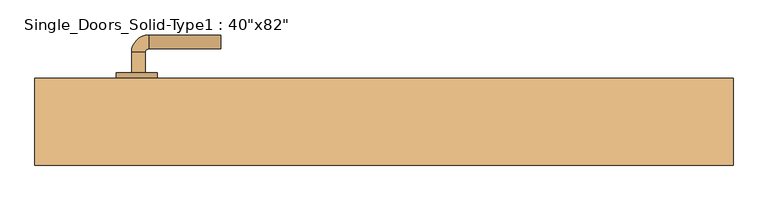
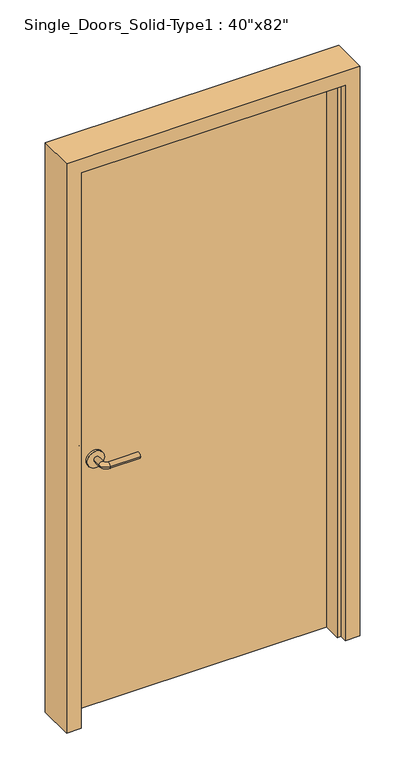
"""IFC4 building model written with IfcOpenShell, lengths in millimetres: door geometry."""

from ifc_helpers import new_model, si_unit, point, frame, frame_2d, origin, origin_with_axes, place, context, project, spatial, polyline, circle_curve, ellipse_curve, trimmed, segment, composite_curve, outline, extrude, faceted_brep, source, transform, mapped, element, save
from ifc_brep_helpers import plane_surface, cylinder_surface, revolved_surface, advanced_brep


def door_516bf730(model_context):
    return source(origin(), model_context, "Body", "SolidModel", [
        advanced_brep(
        [(-367.2, 17.4, 900.0), (-347.2, 17.4, 900.0), (-347.2, -12.6, 900.0), (-367.2, -12.6, 900.0), (-342.2, -17.6, 900.0), (-342.2, -37.6, 900.0), (-237.2, -37.6, 900.0), (-237.2, -17.6, 900.0)],
        [
            (0, 1, circle_curve(frame((-357.2, 17.4, 900.0), z_axis=(0.0, 1.0, 0.0), x_axis=(1.0, 0.0, 0.0)), 10.0)),
            (1, 0, circle_curve(frame((-357.2, 17.4, 900.0), z_axis=(0.0, 1.0, 0.0), x_axis=(1.0, 0.0, 0.0)), 10.0)),
            (1, 2),
            (2, 3, circle_curve(frame((-357.2, -12.6, 900.0), z_axis=(0.0, 1.0, 0.0), x_axis=(1.0, 0.0, 0.0)), 10.0)),
            (3, 0),
            (3, 2, circle_curve(frame((-357.2, -12.6, 900.0), z_axis=(0.0, 1.0, 0.0), x_axis=(1.0, 0.0, 0.0)), 10.0)),
            (4, 5, circle_curve(frame((-342.2, -27.6, 900.0), z_axis=(-1.0, 0.0, 0.0), x_axis=(0.0, 1.0, 0.0)), 10.0)),
            (5, 3, circle_curve(frame((-342.2, -12.6, 900.0), z_axis=(0.0, 0.0, -1.0), x_axis=(-1.0, 0.0, 0.0)), 25.0)),
            (2, 4, circle_curve(frame((-342.2, -12.6, 900.0), z_axis=(0.0, 0.0, 1.0), x_axis=(-1.0, 0.0, 0.0)), 5.0)),
            (5, 4, circle_curve(frame((-342.2, -27.6, 900.0), z_axis=(-1.0, 0.0, 0.0), x_axis=(0.0, 1.0, 0.0)), 10.0)),
            (6, 7, circle_curve(frame((-237.2, -27.6, 900.0), z_axis=(1.0, 0.0, 0.0), x_axis=(0.0, 1.0, 0.0)), 10.0)),
            (7, 6, circle_curve(frame((-237.2, -27.6, 900.0), z_axis=(1.0, 0.0, 0.0), x_axis=(0.0, 1.0, 0.0)), 10.0)),
            (4, 7),
            (6, 5),
        ],
        [
            plane_surface(frame((-357.2, 17.4, 900.0), z_axis=(0.0, 1.0, 0.0), x_axis=(0.0, 0.0, 1.0))),
            cylinder_surface(frame((-357.2, 17.4, 900.0), z_axis=(0.0, 1.0, 0.0), x_axis=(1.0, 0.0, 0.0)), 10.0),
            revolved_surface(trimmed(ellipse_curve(frame((-357.2, -12.6, 900.0), z_axis=(0.0, -1.0, 0.0), x_axis=(1.0, 0.0, 0.0)), 10.0, 10.0), [point((-367.2, -12.6, 900.0))], [point((-347.2, -12.6, 900.0))], True, "CARTESIAN"), (-342.2, -12.6, 900.0), (0.0, 0.0, -1.0)),
            revolved_surface(trimmed(ellipse_curve(frame((-357.2, -12.6, 900.0), z_axis=(0.0, -1.0, 0.0), x_axis=(1.0, 0.0, 0.0)), 10.0, 10.0), [point((-347.2, -12.6, 900.0))], [point((-367.2, -12.6, 900.0))], True, "CARTESIAN"), (-342.2, -12.6, 900.0), (0.0, 0.0, -1.0)),
            plane_surface(frame((-237.2, -27.6, 900.0), z_axis=(1.0, 0.0, 0.0), x_axis=(0.0, 0.0, 1.0))),
            cylinder_surface(frame((-342.2, -27.6, 900.0), z_axis=(-1.0, 0.0, 0.0), x_axis=(0.0, 1.0, 0.0)), 10.0),
        ],
        [
            (0, [[1, 2]]),
            (1, [[3, 4, 5, -2]]),
            (1, [[-5, 6, -3, -1]]),
            (2, [[7, 8, -4, 9]]),
            (3, [[10, -9, -6, -8]]),
            (4, [[11, 12]]),
            (5, [[13, -11, 14, -7]]),
            (5, [[-14, -12, -13, -10]]),
        ],
    ),
        extrude(outline(composite_curve([segment(trimmed(circle_curve(frame_2d((900.0, -359.7)), 30.0), [point((900.0, -389.7))], [point((900.0, -329.7))], False, "CARTESIAN"), True, "CONTINUOUS"), segment(trimmed(circle_curve(frame_2d((900.0, -359.7)), 30.0), [point((900.0, -329.7))], [point((900.0, -389.7))], False, "CARTESIAN"), True, "CONTINUOUS")], self_intersect=False)), frame((0.0, 17.4, 0.0), z_axis=(0.0, 1.0, 0.0), x_axis=(0.0, 0.0, 1.0)), (0.0, 0.0, 1.0), 8.0),
        advanced_brep(
        [(-367.2, 71.5, 900.0), (-347.2, 71.5, 900.0), (-367.2, 101.5, 900.0), (-347.2, 101.5, 900.0), (-342.2, 106.5, 900.0), (-342.2, 126.5, 900.0), (-237.2, 126.5, 900.0), (-237.2, 106.5, 900.0)],
        [
            (0, 1, circle_curve(frame((-357.2, 71.5, 900.0), z_axis=(0.0, -1.0, 0.0), x_axis=(1.0, 0.0, 0.0)), 10.0)),
            (1, 0, circle_curve(frame((-357.2, 71.5, 900.0), z_axis=(0.0, -1.0, 0.0), x_axis=(1.0, 0.0, 0.0)), 10.0)),
            (0, 2),
            (2, 3, circle_curve(frame((-357.2, 101.5, 900.0), z_axis=(0.0, -1.0, 0.0), x_axis=(1.0, 0.0, 0.0)), 10.0)),
            (3, 1),
            (3, 2, circle_curve(frame((-357.2, 101.5, 900.0), z_axis=(0.0, -1.0, 0.0), x_axis=(1.0, 0.0, 0.0)), 10.0)),
            (4, 3, circle_curve(frame((-342.2, 101.5, 900.0), z_axis=(0.0, 0.0, 1.0), x_axis=(-1.0, 0.0, 0.0)), 5.0)),
            (2, 5, circle_curve(frame((-342.2, 101.5, 900.0), z_axis=(0.0, 0.0, -1.0), x_axis=(-1.0, 0.0, 0.0)), 25.0)),
            (5, 4, circle_curve(frame((-342.2, 116.5, 900.0), z_axis=(-1.0, 0.0, 0.0), x_axis=(0.0, -1.0, 0.0)), 10.0)),
            (4, 5, circle_curve(frame((-342.2, 116.5, 900.0), z_axis=(-1.0, 0.0, 0.0), x_axis=(0.0, -1.0, 0.0)), 10.0)),
            (6, 7, circle_curve(frame((-237.2, 116.5, 900.0), z_axis=(1.0, 0.0, 0.0), x_axis=(0.0, -1.0, 0.0)), 10.0)),
            (7, 6, circle_curve(frame((-237.2, 116.5, 900.0), z_axis=(1.0, 0.0, 0.0), x_axis=(0.0, -1.0, 0.0)), 10.0)),
            (5, 6),
            (7, 4),
        ],
        [
            plane_surface(frame((-357.2, 71.5, 900.0), z_axis=(0.0, -1.0, 0.0), x_axis=(0.0, 0.0, 1.0))),
            cylinder_surface(frame((-357.2, 71.5, 900.0), z_axis=(0.0, -1.0, 0.0), x_axis=(1.0, 0.0, 0.0)), 10.0),
            revolved_surface(trimmed(ellipse_curve(frame((-357.2, 101.5, 900.0), z_axis=(0.0, -1.0, 0.0), x_axis=(1.0, 0.0, 0.0)), 10.0, 10.0), [point((-367.2, 101.5, 900.0))], [point((-347.2, 101.5, 900.0))], True, "CARTESIAN"), (-342.2, 101.5, 900.0), (0.0, 0.0, -1.0)),
            revolved_surface(trimmed(ellipse_curve(frame((-357.2, 101.5, 900.0), z_axis=(0.0, -1.0, 0.0), x_axis=(1.0, 0.0, 0.0)), 10.0, 10.0), [point((-347.2, 101.5, 900.0))], [point((-367.2, 101.5, 900.0))], True, "CARTESIAN"), (-342.2, 101.5, 900.0), (0.0, 0.0, -1.0)),
            plane_surface(frame((-237.2, 116.5, 900.0), z_axis=(1.0, 0.0, 0.0), x_axis=(0.0, 0.0, 1.0))),
            cylinder_surface(frame((-342.2, 116.5, 900.0), z_axis=(-1.0, 0.0, 0.0), x_axis=(0.0, -1.0, 0.0)), 10.0),
        ],
        [
            (0, [[1, 2]]),
            (1, [[-1, 3, 4, 5]]),
            (1, [[-2, -5, 6, -3]]),
            (2, [[7, -4, 8, 9]]),
            (3, [[-8, -6, -7, 10]]),
            (4, [[11, 12]]),
            (5, [[-9, 13, -12, 14]]),
            (5, [[-10, -14, -11, -13]]),
        ],
    ),
        extrude(outline(composite_curve([segment(trimmed(circle_curve(frame_2d((900.0, -359.7)), 30.0), [point((900.0, -389.7))], [point((900.0, -329.7))], False, "CARTESIAN"), True, "CONTINUOUS"), segment(trimmed(circle_curve(frame_2d((900.0, -359.7)), 30.0), [point((900.0, -329.7))], [point((900.0, -389.7))], False, "CARTESIAN"), True, "CONTINUOUS")], self_intersect=False)), frame((0.0, 63.5, 0.0), z_axis=(0.0, 1.0, 0.0), x_axis=(0.0, 0.0, 1.0)), (0.0, 0.0, 1.0), 8.0),
        faceted_brep([(-508.0, -63.5, 0.0), (-508.0, 63.5, 0.0), (-457.2, 63.5, 0.0), (-457.2, 25.4, 0.0), (-444.5, 25.4, 0.0), (-444.5, -38.1, 0.0), (-457.2, -38.1, 0.0), (-457.2, -63.5, 0.0), (-508.0, -63.5, 2082.8), (-508.0, 63.5, 2082.8), (508.0, 63.5, 2082.8), (508.0, 63.5, 0.0), (457.2, 63.5, 0.0), (457.2, 63.5, 2032.0), (-457.2, 63.5, 2032.0), (-457.2, 25.4, 2032.0), (457.2, 25.4, 2032.0), (457.2, 25.4, 0.0), (444.5, 25.4, 0.0), (444.5, 25.4, 2019.3), (-444.5, 25.4, 2019.3), (-444.5, -38.1, 2019.3), (444.5, -38.1, 2019.3), (444.5, -38.1, 0.0), (457.2, -38.1, 0.0), (457.2, -38.1, 2032.0), (-457.2, -38.1, 2032.0), (-457.2, -63.5, 2032.0), (457.2, -63.5, 2032.0), (457.2, -63.5, 0.0), (508.0, -63.5, 0.0), (508.0, -63.5, 2082.8)], [[[0, 1, 2, 3, 4, 5, 6, 7]], [[1, 0, 8, 9]], [[2, 1, 9, 10, 11, 12, 13, 14]], [[3, 2, 14, 15]], [[4, 3, 15, 16, 17, 18, 19, 20]], [[5, 4, 20, 21]], [[6, 5, 21, 22, 23, 24, 25, 26]], [[7, 6, 26, 27]], [[0, 7, 27, 28, 29, 30, 31, 8]], [[10, 31, 30, 11]], [[30, 29, 24, 23, 18, 17, 12, 11]], [[16, 13, 12, 17]], [[22, 19, 18, 23]], [[28, 25, 24, 29]], [[9, 8, 31, 10]], [[15, 14, 13, 16]], [[21, 20, 19, 22]], [[27, 26, 25, 28]]]),
        extrude(outline(polyline([(457.2, 25.4), (-457.2, 25.4), (-457.2, 63.5), (457.2, 63.5), (457.2, 25.4)])), origin_with_axes(), (0.0, 0.0, 1.0), 2032.0),
    ])


if __name__ == "__main__":
    model = new_model("IFC4")
    model_context = context("Model", 3, world=origin())
    ifc_project = project(units=[si_unit("LENGTHUNIT", "METRE", prefix="MILLI")], contexts=[model_context])
    site = spatial("IfcSite", under=ifc_project)
    building = spatial("IfcBuilding", under=site)
    placement = place(None, origin())
    door_shape = door_516bf730(model_context)
    element("IfcDoor", 1, ObjectType="Single_Doors_Solid-Type1 : 40\"x82\"", at=placement, inside=building, context=model_context, shape_type="MappedRepresentation", body=[
        mapped(door_shape, transform((0.0, 0.0, 0.0), x_axis=(1.0, 0.0, 0.0), y_axis=(0.0, 1.0, 0.0), z_axis=(0.0, 0.0, 1.0))),
    ])
    save(model, "model.ifc")
